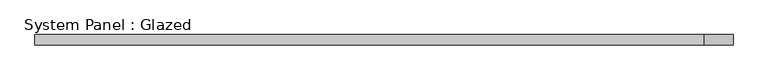
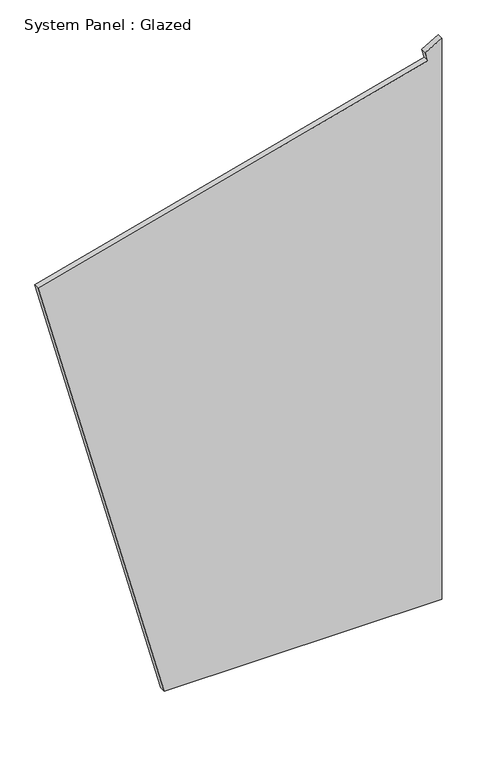
"""IFC4 building model written with IfcOpenShell, lengths in millimetres: plate geometry, System Panel : Glazed."""

from ifc_helpers import new_model, si_unit, frame, origin, place, context, project, spatial, polyline, outline, extrude, source, transform, mapped, element, save


def system_panel_glazed_e80a5059(model_context):
    return source(origin(), model_context, "Body", "SweptSolid", [
        extrude(outline(polyline([(0.0, -319.5627252), (0.0, 850.6102778), (2500.8022034, 850.6102778), (2461.9793467, 780.7214038), (2421.8888243, 791.4636269), (1981.8964476, -850.6102778), (0.0, -319.5627252)])), frame((0.0, -22.5, 0.0), z_axis=(0.0, 1.0, 0.0), x_axis=(0.0, 0.0, 1.0)), (0.0, 0.0, 1.0), 25.0),
    ])


if __name__ == "__main__":
    model = new_model("IFC4")
    model_context = context("Model", 3, world=origin())
    ifc_project = project(units=[si_unit("LENGTHUNIT", "METRE", prefix="MILLI")], contexts=[model_context])
    site = spatial("IfcSite", under=ifc_project)
    building = spatial("IfcBuilding", under=site)
    placement = place(None, origin())
    system_panel_glazed_shape = system_panel_glazed_e80a5059(model_context)
    element("IfcPlate", 1, ObjectType="System Panel : Glazed", at=placement, inside=building, context=model_context, shape_type="MappedRepresentation", body=[
        mapped(system_panel_glazed_shape, transform((0.0, 0.0, 0.0), x_axis=(1.0, 0.0, 0.0), y_axis=(0.0, 1.0, 0.0), z_axis=(0.0, 0.0, 1.0))),
    ])
    save(model, "model.ifc")
